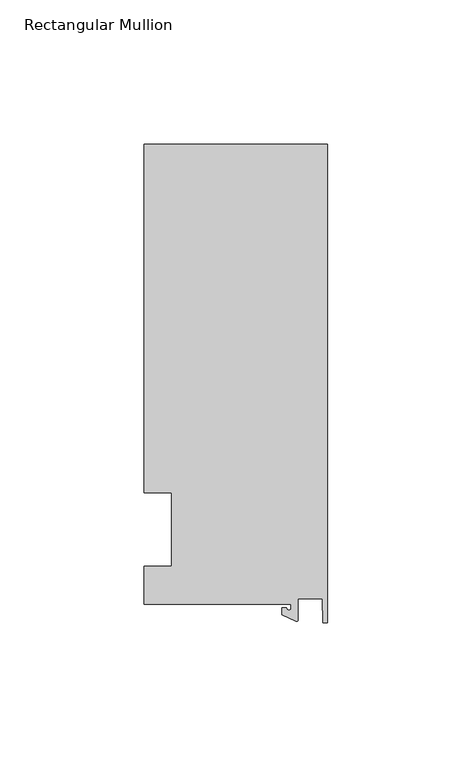
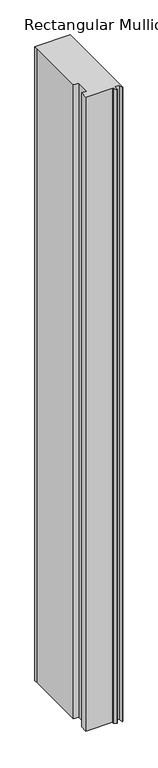
"""IFC4 building model written with IfcOpenShell, lengths in millimetres: member geometry, Rectangular Mullion."""

import ifcopenshell
import ifcopenshell.guid

model = None  # the IFC model being written
_history = None  # IfcOwnerHistory: only IFC2X3 demands one
_inside = {}  # id of a spatial element -> (the spatial element, [elements in it])
_under = {}  # id of a project, library or spatial element -> (it, [spatial elements below it])
_declared = {}  # id of a project -> (the project, [libraries it declares])
_typed = {}  # id of a type object -> (the type object, [elements of that type])
_made_of = {}  # id of a material, layer set ... -> (it, [elements and type objects made of it])


def new_model(schema):
    """Start an empty IFC model of exactly this schema.

    Asked for "IFC4X3", IfcOpenShell would pick the latest addendum, in which some entities
    have other attributes; the version numbers below select the first issue.
    IFC2X3 requires an IfcOwnerHistory on every rooted entity: one is made here for all.
    """
    global model, _history
    if schema == "IFC4X3":
        model = ifcopenshell.file(schema_version=(4, 3, 0, 0))
    else:
        model = ifcopenshell.file(schema=schema)
    _inside.clear()
    _under.clear()
    _declared.clear()
    _typed.clear()
    _made_of.clear()
    _history = None
    if model.schema == "IFC2X3":
        org = make("IfcOrganization", Name="unknown")
        user = make(
            "IfcPersonAndOrganization",
            ThePerson=make("IfcPerson", FamilyName="unknown"),
            TheOrganization=org,
        )
        app = make(
            "IfcApplication",
            ApplicationDeveloper=org,
            Version="unknown",
            ApplicationFullName="unknown",
            ApplicationIdentifier="unknown",
        )
        _history = make(
            "IfcOwnerHistory",
            OwningUser=user,
            OwningApplication=app,
            ChangeAction="ADDED",
            CreationDate=0,
        )
    return model


def make(cls, **values):
    """One entity of the class cls with the attributes given. An attribute that is None is left unset."""
    return model.create_entity(
        cls, **{name: value for name, value in values.items() if value is not None}
    )


def rooted(cls, **values):
    """An entity with a GlobalId (a new one), such as an element, a storey or a relation."""
    return make(cls, GlobalId=ifcopenshell.guid.new(), OwnerHistory=_history, **values)


def si_unit(unit_type, name, prefix=None):
    """IfcSIUnit, for example si_unit("LENGTHUNIT", "METRE", prefix="MILLI")."""
    return make("IfcSIUnit", UnitType=unit_type, Prefix=prefix, Name=name)


def assignment(units):
    """IfcUnitAssignment: the units of a project."""
    return None if units is None else make("IfcUnitAssignment", Units=units)


def point(xyz):
    """IfcCartesianPoint."""
    return None if xyz is None else make("IfcCartesianPoint", Coordinates=xyz)


def direction(xyz):
    """IfcDirection."""
    return None if xyz is None else make("IfcDirection", DirectionRatios=xyz)


def frame(location, z_axis=None, x_axis=None):
    """IfcAxis2Placement3D, a coordinate frame: its origin and axes. An axis left out is left unset."""
    return make(
        "IfcAxis2Placement3D",
        Location=point(location),
        Axis=direction(z_axis),
        RefDirection=direction(x_axis),
    )


def frame_2d(location, x_axis=None):
    """IfcAxis2Placement2D, a coordinate frame in the plane: its origin and x axis."""
    return make(
        "IfcAxis2Placement2D", Location=point(location), RefDirection=direction(x_axis)
    )


def origin():
    """The frame at (0, 0, 0) with its axes left unset."""
    return frame((0.0, 0.0, 0.0))


def place(relative_to, where):
    """IfcLocalPlacement: puts the frame where relative to a parent placement (None: the world)."""
    return make(
        "IfcLocalPlacement", PlacementRelTo=relative_to, RelativePlacement=where
    )


def context(
    kind, dimensions, precision=None, world=None, true_north=None, identifier=None
):
    """IfcGeometricRepresentationContext, for example the 3D "Model" context."""
    return make(
        "IfcGeometricRepresentationContext",
        ContextIdentifier=identifier,
        ContextType=kind,
        CoordinateSpaceDimension=dimensions,
        Precision=precision,
        WorldCoordinateSystem=world,
        TrueNorth=true_north,
    )


def project(units=None, contexts=None):
    """IfcProject with its units and contexts."""
    return rooted(
        "IfcProject",
        Name="project",
        RepresentationContexts=contexts,
        UnitsInContext=assignment(units),
    )


def spatial(cls, under=None, at=None, **own):
    """A site, building, storey or space (cls), placed at a placement, below another one or the project."""
    s = rooted(cls, ObjectPlacement=at, **own)
    if under is not None:
        _under.setdefault(under.id(), (under, []))[1].append(s)
    return s


def polyline(points):
    """IfcPolyline through the points."""
    return make("IfcPolyline", Points=[point(p) for p in points])


def circle_curve(where, radius):
    """IfcCircle in the frame where."""
    return make("IfcCircle", Position=where, Radius=radius)


def trimmed(basis, trim1, trim2, sense, master):
    """IfcTrimmedCurve: the piece of a basis curve between two trims."""
    return make(
        "IfcTrimmedCurve",
        BasisCurve=basis,
        Trim1=trim1,
        Trim2=trim2,
        SenseAgreement=sense,
        MasterRepresentation=master,
    )


def segment(curve, same_sense, transition):
    """IfcCompositeCurveSegment."""
    return make(
        "IfcCompositeCurveSegment",
        Transition=transition,
        SameSense=same_sense,
        ParentCurve=curve,
    )


def composite_curve(segments, self_intersect=None):
    """IfcCompositeCurve: segments joined end to end."""
    return make("IfcCompositeCurve", Segments=segments, SelfIntersect=self_intersect)


def outline(outer, holes=None, kind="AREA"):
    """IfcArbitraryClosedProfileDef: a profile drawn as a closed curve; with holes, ...WithVoids."""
    if holes is None:
        return make("IfcArbitraryClosedProfileDef", ProfileType=kind, OuterCurve=outer)
    return make(
        "IfcArbitraryProfileDefWithVoids",
        ProfileType=kind,
        OuterCurve=outer,
        InnerCurves=holes,
    )


def extrude(swept, where, along, depth):
    """IfcExtrudedAreaSolid: the profile swept, set in the frame where, extruded along a direction by depth."""
    return make(
        "IfcExtrudedAreaSolid",
        SweptArea=swept,
        Position=where,
        ExtrudedDirection=direction(along),
        Depth=depth,
    )


def shape(context_of_items, identifier, shape_type, items):
    """IfcShapeRepresentation: the items that make up one representation, for example the "Body"."""
    return make(
        "IfcShapeRepresentation",
        ContextOfItems=context_of_items,
        RepresentationIdentifier=identifier,
        RepresentationType=shape_type,
        Items=items,
    )


def source(mapping_origin, context_of_items, identifier, shape_type, items):
    """IfcRepresentationMap: a shape defined once, which mapped items show again and again."""
    return make(
        "IfcRepresentationMap",
        MappingOrigin=mapping_origin,
        MappedRepresentation=shape(context_of_items, identifier, shape_type, items),
    )


def transform(
    local_origin,
    x_axis=None,
    y_axis=None,
    z_axis=None,
    scale=None,
    scale2=None,
    scale3=None,
    uniform=True,
):
    """IfcCartesianTransformationOperator3D, or its non-uniform kind. x_axis, y_axis, z_axis: its Axis1, 2, 3."""
    if uniform:
        return make(
            "IfcCartesianTransformationOperator3D",
            Axis1=direction(x_axis),
            Axis2=direction(y_axis),
            LocalOrigin=point(local_origin),
            Scale=scale,
            Axis3=direction(z_axis),
        )
    return make(
        "IfcCartesianTransformationOperator3DnonUniform",
        Axis1=direction(x_axis),
        Axis2=direction(y_axis),
        LocalOrigin=point(local_origin),
        Scale=scale,
        Axis3=direction(z_axis),
        Scale2=scale2,
        Scale3=scale3,
    )


def mapped(mapping_source, mapping_target):
    """IfcMappedItem: shows the shape of a source again, moved by a transform."""
    return make(
        "IfcMappedItem", MappingSource=mapping_source, MappingTarget=mapping_target
    )


def made_of(thing, what):
    """Note that an element or type object is made of a material, layer set ...; save() writes the relation."""
    if what is not None:
        _made_of.setdefault(what.id(), (what, []))[1].append(thing)
    return thing


def element(
    cls,
    number,
    at=None,
    inside=None,
    cuts=None,
    type_object=None,
    material=None,
    context=None,
    identifier="Body",
    shape_type=None,
    held_by="IfcProductDefinitionShape",
    body=None,
    shapes=None,
    **own,
):
    """One element of the class cls, such as IfcWall. Its Tag is "e" and its number.

    at: its placement. inside: the storey or other place that contains it. cuts: it is an
    opening in that element (IfcRelVoidsElement). A single representation is given by context,
    identifier, shape_type and body (its items); several are given by shapes. held_by: the class
    of the entity that holds the representations. save() writes the other relations.
    """
    e = rooted(cls, Tag="e%d" % number, ObjectPlacement=at, **own)
    if body is not None:
        shapes = [shape(context, identifier, shape_type, body)]
    if shapes is not None:
        e.Representation = make(held_by, Representations=shapes)
    if inside is not None:
        _inside.setdefault(inside.id(), (inside, []))[1].append(e)
    if cuts is not None:
        rooted(
            "IfcRelVoidsElement", RelatingBuildingElement=cuts, RelatedOpeningElement=e
        )
    if type_object is not None:
        _typed.setdefault(type_object.id(), (type_object, []))[1].append(e)
    return made_of(e, material)


def aggregate(whole, parts):
    """IfcRelAggregates: a whole, such as a stair, and the parts it consists of."""
    return rooted("IfcRelAggregates", RelatingObject=whole, RelatedObjects=parts)


def save(model, path):
    """Write the relations noted so far, then the file.

    IfcRelAggregates (storeys below a building ...), IfcRelContainedInSpatialStructure (elements
    in a storey), IfcRelDefinesByType, IfcRelAssociatesMaterial and IfcRelDeclares: one each for
    every whole, place, type object, material and project.
    """
    for whole, parts in _under.values():
        aggregate(whole, parts)
    for where, things in _inside.values():
        rooted(
            "IfcRelContainedInSpatialStructure",
            RelatedElements=things,
            RelatingStructure=where,
        )
    for kind, things in _typed.values():
        rooted("IfcRelDefinesByType", RelatedObjects=things, RelatingType=kind)
    for what, things in _made_of.values():
        rooted("IfcRelAssociatesMaterial", RelatedObjects=things, RelatingMaterial=what)
    for by, libraries in _declared.values():
        rooted("IfcRelDeclares", RelatingContext=by, RelatedDefinitions=libraries)
    model.write(path)


def rectangular_mullion_f964506a(model_context):
    return source(origin(), model_context, "Body", "SweptSolid", [
        extrude(outline(composite_curve([segment(polyline([(-12.6173814, -25.796875), (-63.5, -25.796875), (-63.5, -12.7), (-53.975, -12.7), (-53.975, 12.7), (-63.5, 12.7), (-63.5, 125.8114907), (-63.5, 133.34365), (0.0, 133.34365), (0.0, -32.288874), (-1.5658966, -32.288874), (-1.7144124, -23.9227662), (-10.2297814, -23.9227662), (-10.2297814, -31.2414327)]), True, "CONTINUOUS"), segment(trimmed(circle_curve(frame_2d((-10.7377814, -31.2414327)), 0.508), [point((-10.2297814, -31.2414327))], [point((-10.9524715, -31.7018371))], False, "CARTESIAN"), True, "CONTINUOUS"), segment(polyline([(-10.9524715, -31.7018371), (-15.7923814, -29.44495), (-15.7923814, -27.0827507), (-14.2048814, -27.0827507)]), True, "CONTINUOUS"), segment(trimmed(circle_curve(frame_2d((-13.4111314, -27.0827507)), 0.79375), [point((-14.2048814, -27.0827507))], [point((-12.6173814, -27.0827507))], True, "CARTESIAN"), True, "CONTINUOUS"), segment(polyline([(-12.6173814, -27.0827507), (-12.6173814, -25.796875)]), True, "CONTINUOUS")], self_intersect=False)), frame((0.0, 0.0, -1210.7333333), z_axis=(0.0, 0.0, 1.0), x_axis=(1.0, 0.0, 0.0)), (0.0, 0.0, 1.0), 1210.7333333),
    ])


if __name__ == "__main__":
    model = new_model("IFC4")
    model_context = context("Model", 3, world=origin())
    ifc_project = project(units=[si_unit("LENGTHUNIT", "METRE", prefix="MILLI")], contexts=[model_context])
    site = spatial("IfcSite", under=ifc_project)
    building = spatial("IfcBuilding", under=site)
    placement = place(None, origin())
    rectangular_mullion_shape = rectangular_mullion_f964506a(model_context)
    element("IfcMember", 1, ObjectType="Rectangular Mullion", at=placement, inside=building, context=model_context, shape_type="MappedRepresentation", body=[
        mapped(rectangular_mullion_shape, transform((0.0, 0.0, 0.0), x_axis=(1.0, 0.0, 0.0), y_axis=(0.0, 1.0, 0.0), z_axis=(0.0, 0.0, 1.0))),
    ])
    save(model, "model.ifc")
